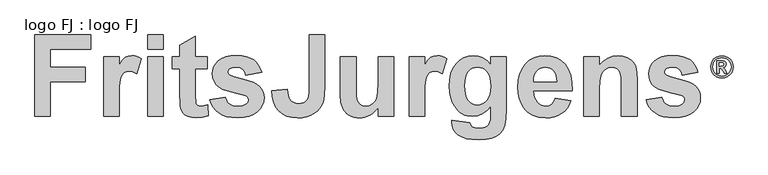
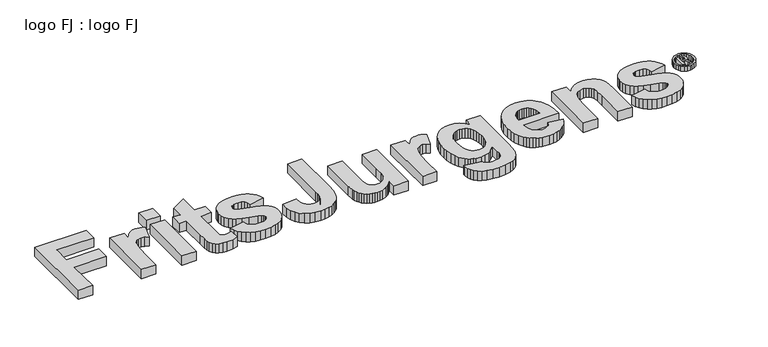
"""IFC4 building model written with IfcOpenShell, lengths in millimetres: proxy geometry, logo FJ : logo FJ."""

from ifc_helpers import new_model, si_unit, origin, origin_with_axes, place, context, project, spatial, polyline, outline, extrude, source, transform, mapped, element, save


def logo_fj_logo_fj_f1afa8ba(model_context):
    return source(origin(), model_context, "Body", "SweptSolid", [
        extrude(outline(polyline([(6469.8619245, 39.4107838), (6469.8619245, 159.2507768), (6491.7752341, 159.2507768), (6526.2393537, 158.9471281), (6543.1677648, 154.1646622), (6553.2640818, 142.6513183), (6557.3127302, 125.4951706), (6555.4339043, 113.4757457), (6549.7974266, 103.3288206), (6540.7575538, 95.8641251), (6528.6685427, 91.8913888), (6536.487495, 87.3872674), (6544.0534067, 78.1765923), (6552.3025278, 63.601458), (6563.7905677, 39.4107838), (6541.1181366, 39.4107838), (6529.9337453, 58.5912556), (6512.8029017, 82.9843623), (6498.1012472, 87.9945647), (6492.5343556, 87.9945647), (6492.5343556, 39.4107838), (6469.8619245, 39.4107838)]), holes=[polyline([(6492.5343556, 107.4280771), (6501.390774, 107.4280771), (6524.8223267, 109.0222324), (6532.0086777, 114.6397321), (6534.6402991, 123.7744951), (6532.0592858, 132.6056094), (6524.7211105, 138.1471969), (6501.390774, 139.8172644), (6492.5343556, 139.8172644), (6492.5343556, 107.4280771)])]), origin_with_axes(), (0.0, 0.0, 1.0), 50.0),
        extrude(outline(polyline([(6516.8262461, 204.595639), (6543.3512192, 201.211222), (6568.7754661, 191.0579709), (6590.9860982, 174.5850326), (6607.8702273, 152.2415542), (6618.5358854, 126.3744865), (6622.0911048, 99.3307803), (6618.6054716, 72.4831805), (6608.1485719, 46.9007833), (6591.4542232, 24.7028032), (6569.256243, 8.0084545), (6543.6738459, -2.4484452), (6516.8262461, -5.9340785), (6489.9786463, -2.4484452), (6464.3962492, 8.0084545), (6442.198269, 24.7028032), (6425.5039204, 46.9007833), (6415.0470206, 72.4831805), (6411.5613874, 99.3307803), (6415.1166068, 126.3744865), (6425.7822649, 152.2415542), (6442.666394, 174.5850326), (6464.8770262, 191.0579709), (6490.301273, 201.211222), (6516.8262461, 204.595639)]), holes=[polyline([(6516.775638, 185.1621266), (6495.1723031, 182.4103109), (6474.4925661, 174.1548637), (6456.4191466, 160.7500419), (6442.6347639, 142.5501021), (6433.9048658, 121.4591742), (6430.9948998, 99.3813884), (6433.8352797, 77.4870569), (6442.3564194, 56.6428436), (6455.9699997, 38.550446), (6474.0877013, 24.9115616), (6494.9445666, 16.3524658), (6516.775638, 13.4994339), (6538.6636435, 16.3524658), (6559.4888788, 24.9115616), (6577.5686243, 38.550446), (6591.2201607, 56.6428436), (6599.7982345, 77.4870569), (6602.6575925, 99.3813884), (6599.7476264, 121.4591742), (6591.0177283, 142.5501021), (6577.2143676, 160.7500419), (6559.0840139, 174.1548637), (6538.3599949, 182.4103109), (6516.775638, 185.1621266)])]), origin_with_axes(), (0.0, 0.0, 1.0), 50.0),
        extrude(outline(polyline([(72.8756714, -365.4193539), (72.8756714, 399.7751961), (595.1513166, 399.7751961), (595.1513166, 266.1697985), (218.6270143, 266.1697985), (218.6270143, 96.1265651), (546.5675357, 96.1265651), (546.5675357, -37.4788325), (218.6270143, -37.4788325), (218.6270143, -365.4193539), (72.8756714, -365.4193539)])), origin_with_axes(), (0.0, 0.0, 1.0), 100.0),
        extrude(outline(polyline([(862.3621119, -365.4193539), (716.610769, -365.4193539), (716.610769, 193.294127), (862.3621119, 193.294127), (862.3621119, 115.4841654), (893.1539808, 161.2449629), (920.6246929, 188.0751662), (948.2377403, 201.0988457), (979.4566152, 205.4400723), (1002.4081816, 203.5185458), (1024.9564647, 197.7539663), (1047.1014645, 188.1463338), (1068.8431809, 174.6956484), (1026.3323726, 35.9661801), (991.2229996, 53.7580921), (958.7705522, 59.6887294), (930.7542215, 55.5372833), (907.4349555, 43.0829449), (888.6941416, 19.8111241), (874.4131669, -16.7927695), (865.3748756, -83.7852487), (862.3621119, -198.2228265), (862.3621119, -365.4193539)])), origin_with_axes(), (0.0, 0.0, 1.0), 100.0),
        extrude(outline(polyline([(1129.5729071, 266.1697985), (1129.5729071, 399.7751961), (1275.3242499, 399.7751961), (1275.3242499, 266.1697985), (1129.5729071, 266.1697985)])), origin_with_axes(), (0.0, 0.0, 1.0), 100.0),
        extrude(outline(polyline([(1129.5729071, -365.4193539), (1129.5729071, 193.294127), (1275.3242499, 193.294127), (1275.3242499, -365.4193539), (1129.5729071, -365.4193539)])), origin_with_axes(), (0.0, 0.0, 1.0), 100.0),
        extrude(outline(polyline([(1688.286388, 193.294127), (1688.286388, 83.9806199), (1578.9728809, 83.9806199), (1578.9728809, -155.7120182), (1582.2940378, -240.4489642), (1587.7265016, -251.4562271), (1597.3815791, -260.3759056), (1610.4289812, -266.2828204), (1626.0384187, -268.251792), (1654.8850386, -264.7408547), (1694.3593606, -254.2080428), (1700.4323333, -357.8281381), (1644.2098914, -372.6310089), (1581.0604652, -377.5652991), (1542.2503746, -374.149252), (1507.4256722, -363.9011107), (1478.9823356, -348.2442282), (1459.3163423, -328.6019574), (1446.3401078, -303.1239395), (1437.9660479, -269.9598155), (1434.4076655, -230.3431582), (1433.221538, -163.8725751), (1433.221538, 83.9806199), (1360.3458666, 83.9806199), (1360.3458666, 193.294127), (1433.221538, 193.294127), (1433.221538, 302.6076342), (1578.9728809, 387.6292508), (1578.9728809, 193.294127), (1688.286388, 193.294127)])), origin_with_axes(), (0.0, 0.0, 1.0), 100.0),
        extrude(outline(polyline([(1712.5782785, -207.5220658), (1858.3296214, -183.2301753), (1872.2073127, -219.9526816), (1882.7223327, -234.5420495), (1895.6214688, -246.616827), (1911.1063629, -256.0821242), (1929.3786565, -262.8430508), (1974.2854423, -268.251792), (2023.0115585, -263.0802763), (2042.2149622, -256.6158816), (2057.9785962, -247.565729), (2072.2121258, -230.6752739), (2076.9566356, -208.8505286), (2074.4420454, -193.7629872), (2066.8982747, -181.5221518), (2049.6757039, -171.511236), (2019.2633957, -162.354332), (1940.9908444, -143.3051249), (1878.4937882, -125.0624845), (1831.7722274, -107.6264107), (1800.8261619, -90.9969037), (1772.845415, -66.218701), (1752.8591672, -37.0518266), (1740.8674185, -3.4962806), (1736.870169, 34.447937), (1740.2980773, 69.1658879), (1750.5818025, 101.0134103), (1767.7213443, 129.9905042), (1791.7167029, 156.0971697), (1822.9237165, 177.6846896), (1861.6982233, 193.1043466), (1908.0402234, 202.3561409), (1961.9497167, 205.4400723), (2013.2734521, 202.9492046), (2057.5515903, 195.4766016), (2094.7841314, 183.0222632), (2124.9710754, 165.5861895), (2149.5594977, 143.2632706), (2169.996474, 116.1483967), (2186.282004, 84.2415679), (2198.416088, 47.5427842), (2052.6647452, 23.2508937), (2041.9421529, 54.4223235), (2024.5772468, 77.3383061), (1999.5262347, 91.4295004), (1965.7453245, 96.1265651), (1924.2308633, 92.1411768), (1908.6332871, 87.1594415), (1896.4754806, 80.185012), (1886.085004, 67.0901648), (1882.6215118, 50.5792705), (1886.085004, 36.2982958), (1896.4754806, 24.1997957), (1938.0136644, 6.7874445), (2025.4312586, -16.6029891), (2076.4406702, -30.5637094), (2119.1116057, -46.0663953), (2153.4440652, -63.111047), (2179.4380486, -81.6976644), (2198.3686429, -103.2733229), (2211.890496, -128.7157571), (2220.0036079, -158.0249667), (2222.7079785, -191.2009519), (2218.7878272, -228.0954467), (2207.0273734, -262.2974321), (2187.426617, -293.8069082), (2159.9855581, -322.623875), (2124.8583933, -346.660748), (2082.199319, -363.8299431), (2032.0083354, -374.1314601), (1974.2854423, -377.5652991), (1921.4019493, -374.7067319), (1874.3423421, -366.1310304), (1833.1066208, -351.8381944), (1797.6947854, -331.8282241), (1768.0000843, -306.9076861), (1743.9157661, -277.883147), (1725.4418309, -244.7546069), (1712.5782785, -207.5220658)])), origin_with_axes(), (0.0, 0.0, 1.0), 100.0),
        extrude(outline(polyline([(2647.8160618, 399.7751961), (2793.5674046, 399.7751961), (2793.5674046, -83.9750291), (2789.2973458, -167.9528536), (2783.9597722, -201.7574863), (2776.4871692, -230.1059327), (2762.7755357, -261.775536), (2744.4142825, -290.1714275), (2721.4034097, -315.2936072), (2693.7429172, -337.1420751), (2661.3616374, -354.8272356), (2624.1884027, -367.4594931), (2582.223213, -375.0388476), (2535.4660683, -377.5652991), (2481.1888756, -373.5146738), (2433.5539966, -361.362798), (2392.5614314, -341.1096715), (2358.21118, -312.7552945), (2331.0251385, -276.5606149), (2311.525203, -232.7865808), (2299.7113735, -181.4331922), (2295.5836499, -122.5004491), (2441.3349928, -110.3545039), (2448.0247517, -166.24483), (2454.2519208, -187.0020607), (2462.4006165, -202.9673363), (2477.7491059, -220.9015836), (2496.6559777, -233.7117602), (2519.1212319, -241.3978662), (2545.1448685, -243.9599015), (2571.1744357, -242.121404), (2593.0881406, -236.6059112), (2610.8859832, -227.4134234), (2624.5679635, -214.5439404), (2634.7390065, -195.8980167), (2642.0040372, -169.3762065), (2646.3630556, -134.9785101), (2647.8160618, -92.7049272), (2647.8160618, 399.7751961)])), origin_with_axes(), (0.0, 0.0, 1.0), 100.0),
        extrude(outline(polyline([(3291.5511594, -365.4193539), (3291.5511594, -283.4342235), (3275.9002075, -304.1855235), (3257.9837521, -322.6001524), (3237.8017933, -338.6781102), (3215.3543311, -352.4193969), (3166.8417178, -371.2788236), (3141.5712721, -375.9936802), (3115.6247338, -377.5652991), (3089.6366811, -376.0233334), (3065.0008136, -371.3974363), (3041.7171315, -363.6876078), (3019.7856347, -352.8938479), (3000.0010286, -339.3067578), (2983.1580186, -323.2169387), (2969.2566047, -304.6243907), (2958.2967869, -283.5291137), (2949.9938947, -259.0415122), (2944.0632574, -230.2719906), (2939.3187475, -159.8871868), (2939.3187475, 193.294127), (3085.0700903, 193.294127), (3085.0700903, -64.9969897), (3087.0390619, -160.6225859), (3092.9459767, -210.2738815), (3104.0955749, -234.1862112), (3121.7925967, -252.5949095), (3145.5863136, -264.3375714), (3175.0259973, -268.251792), (3209.9218673, -263.0328312), (3240.9746843, -247.3759486), (3265.5038003, -223.9617925), (3280.8285671, -195.4710108), (3288.8705113, -142.0241072), (3291.5511594, -43.7415855), (3291.5511594, 193.294127), (3437.3025022, 193.294127), (3437.3025022, -365.4193539), (3291.5511594, -365.4193539)])), origin_with_axes(), (0.0, 0.0, 1.0), 100.0),
        extrude(outline(polyline([(3728.8051879, -365.4193539), (3583.0538451, -365.4193539), (3583.0538451, 193.294127), (3728.8051879, 193.294127), (3728.8051879, 115.4841654), (3759.5970569, 161.2449629), (3787.067769, 188.0751662), (3814.6808164, 201.0988457), (3845.8996912, 205.4400723), (3868.8512577, 203.5185458), (3891.3995408, 197.7539663), (3913.5445406, 188.1463338), (3935.286257, 174.6956484), (3892.7754486, 35.9661801), (3857.6660757, 53.7580921), (3825.2136283, 59.6887294), (3797.1972975, 55.5372833), (3773.8780316, 43.0829449), (3755.1372177, 19.8111241), (3740.856243, -16.7927695), (3731.8179517, -83.7852487), (3728.8051879, -198.2228265), (3728.8051879, -365.4193539)])), origin_with_axes(), (0.0, 0.0, 1.0), 100.0),
        extrude(outline(polyline([(3983.8700379, -401.8571896), (4153.9132713, -426.1490801), (4160.4132498, -447.5942646), (4171.9424087, -461.0686726), (4197.2306463, -471.3168139), (4233.6210369, -474.732861), (4280.7814649, -470.4153571), (4299.3087759, -465.0184771), (4314.4674849, -457.4628452), (4330.3141478, -442.3278587), (4341.7958616, -420.0761075), (4346.6352617, -393.886413), (4348.2483951, -352.1347263), (4348.2483951, -270.7189371), (4310.6600157, -312.1503695), (4270.0114275, -341.7442497), (4226.3026304, -359.5005779), (4179.5336245, -365.4193539), (4128.4471146, -359.4768553), (4105.0122012, -352.0487321), (4082.9828489, -341.6493595), (4062.3590576, -328.2787377), (4043.1408273, -311.9368665), (4008.92105, -270.3393763), (3987.3335301, -230.461771), (3971.9138731, -185.9819911), (3962.6620789, -136.9000366), (3959.5781475, -83.2159075), (3963.6169115, -17.1426771), (3975.7332035, 40.6395223), (3995.9270236, 90.1306908), (4024.1983717, 131.3308283), (4058.4833861, 163.7536225), (4096.7182049, 186.9127613), (4138.9028282, 200.8082445), (4185.0372559, 205.4400723), (4232.3874643, 199.9483021), (4275.3727236, 183.4729916), (4313.9930339, 156.0141408), (4348.2483951, 117.5717497), (4348.2483951, 193.294127), (4493.9997379, 193.294127), (4493.9997379, -302.9816042), (4490.0380722, -388.4065042), (4478.153075, -449.207398), (4459.1275904, -492.4536054), (4433.7444627, -525.2144459), (4400.3905584, -549.7672844), (4357.4527442, -568.3894856), (4303.3890543, -580.1321475), (4236.6575232, -584.0463682), (4172.689669, -581.1284946), (4118.7564532, -572.3748739), (4074.8578757, -557.7855061), (4040.9939366, -537.3603912), (4015.7531442, -512.4517144), (3997.7240067, -484.4116611), (3986.9065242, -453.2402314), (3983.3006967, -418.9374251), (3983.8700379, -401.8571896)]), holes=[polyline([(4105.3294903, -77.7122761), (4107.4348666, -120.9110383), (4113.7509953, -157.8944927), (4124.2778766, -188.6626391), (4139.0155103, -213.2154776), (4156.8489367, -231.9800141), (4176.663196, -245.3832545), (4198.4582882, -253.4251987), (4222.2342132, -256.1058468), (4247.682578, -253.354031), (4271.0789422, -245.0985839), (4292.4233059, -231.3395053), (4311.7156691, -212.0767953), (4327.6987367, -187.4172053), (4339.1152136, -157.4674868), (4345.9650997, -122.2276398), (4348.2483951, -81.6976644), (4346.0599899, -39.4418734), (4339.4947744, -3.0099684), (4328.5527485, 27.5980509), (4313.2339123, 52.3821842), (4294.5701966, 71.5203509), (4273.5935324, 85.1904699), (4250.3039197, 93.3925413), (4224.7013583, 96.1265651), (4199.8460573, 93.4459171), (4177.2799823, 85.4039728), (4157.0031333, 72.0007325), (4139.0155103, 53.236196), (4124.2778766, 28.9680281), (4113.7509953, -0.9461066), (4107.4348666, -36.506208), (4105.3294903, -77.7122761)])]), origin_with_axes(), (0.0, 0.0, 1.0), 100.0),
        extrude(outline(polyline([(4955.5456569, -195.3761206), (5101.2969998, -219.668011), (5085.5452271, -255.9813034), (5065.808066, -287.6805599), (5042.0855168, -314.7657805), (5014.3775792, -337.2369653), (4982.8147273, -354.8806114), (4947.5274353, -367.4832157), (4908.515703, -375.0447783), (4865.7795304, -377.5652991), (4799.771537, -371.6228005), (4770.2102753, -364.1946773), (4742.9441702, -353.7953047), (4717.9732217, -340.4246829), (4695.2974299, -324.0828118), (4674.9167948, -304.7696913), (4656.8313162, -282.4853216), (4633.4171601, -241.9316236), (4616.6927628, -196.3724676), (4606.6581245, -145.8078538), (4603.313245, -90.2377821), (4607.7493618, -24.716101), (4621.0577119, 33.3092546), (4643.2382955, 83.8382846), (4674.2911125, 126.870989), (4712.1285786, 161.2449629), (4754.6631095, 185.7978015), (4801.8947052, 200.5295046), (4853.8233656, 205.4400723), (4911.5284667, 200.3990305), (4962.804757, 185.2759054), (5007.6522365, 160.0706967), (5046.070905, 124.7834047), (5062.5254583, 103.2759484), (5076.6848549, 79.0819135), (5098.1181782, 22.6341074), (5110.3708749, -44.5600134), (5113.442945, -122.5004491), (4749.0645879, -122.5004491), (4751.7808198, -155.1189544), (4758.4112723, -183.8944067), (4768.9559455, -208.826806), (4783.4148393, -229.9161523), (4800.8390517, -246.6879947), (4820.2796809, -258.6678821), (4841.7367267, -265.8558145), (4865.2101892, -268.251792), (4895.8122778, -263.934288), (4921.1954056, -250.9817761), (4941.1697921, -228.4453543), (4955.5456569, -195.3761206)]), holes=[polyline([(4967.6916022, -37.4788325), (4965.093983, -6.7047554), (4958.8193687, 20.1432397), (4948.8677593, 43.065153), (4935.2391547, 62.0609843), (4918.9417634, 76.9646759), (4900.9837936, 87.6101699), (4881.3652453, 93.9974663), (4860.0861186, 96.1265651), (4837.4785291, 93.8847842), (4816.9110789, 87.1594415), (4798.3837679, 75.950537), (4781.8965961, 60.2580706), (4768.4696332, 40.6276611), (4758.9331684, 17.7947074), (4753.2872017, -8.2407905), (4751.531733, -37.4788325), (4967.6916022, -37.4788325)])]), origin_with_axes(), (0.0, 0.0, 1.0), 100.0),
        extrude(outline(polyline([(5720.7402069, -365.4193539), (5574.9888641, -365.4193539), (5574.9888641, -78.2816173), (5572.7114993, -3.1285811), (5565.8794051, 39.761788), (5553.8757952, 63.5317824), (5536.0838832, 81.3236944), (5513.357681, 92.4258474), (5486.5512003, 96.1265651), (5451.2757695, 90.8364366), (5419.8433917, 74.9660512), (5394.98216, 50.342045), (5379.4201677, 18.7910544), (5371.2358882, -31.0500216), (5368.507795, -110.5442843), (5368.507795, -365.4193539), (5222.7564522, -365.4193539), (5222.7564522, 193.294127), (5368.507795, 193.294127), (5368.507795, 112.8272398), (5405.3844979, 153.345354), (5446.7447626, 182.2868642), (5492.5885891, 199.6517702), (5542.9159774, 205.4400723), (5587.2296995, 201.0276781), (5627.5580333, 187.7904956), (5661.2440533, 167.7212189), (5685.6308339, 142.8125421), (5702.3552312, 113.6575291), (5713.0541009, 80.8492434), (5718.8186804, 38.6942733), (5720.7402069, -18.5007931), (5720.7402069, -365.4193539)])), origin_with_axes(), (0.0, 0.0, 1.0), 100.0),
        extrude(outline(polyline([(5805.7618236, -207.5220658), (5951.5131664, -183.2301753), (5965.3908578, -219.9526816), (5975.9058777, -234.5420495), (5988.8050139, -246.616827), (6004.289908, -256.0821242), (6022.5622015, -262.8430508), (6067.4689874, -268.251792), (6116.1951036, -263.0802763), (6135.3985073, -256.6158816), (6151.1621413, -247.565729), (6165.3956708, -230.6752739), (6170.1401807, -208.8505286), (6167.6255905, -193.7629872), (6160.0818198, -181.5221518), (6142.859249, -171.511236), (6112.4469408, -162.354332), (6034.1743894, -143.3051249), (5971.6773333, -125.0624845), (5924.9557725, -107.6264107), (5894.0097069, -90.9969037), (5866.02896, -66.218701), (5846.0427123, -37.0518266), (5834.0509636, -3.4962806), (5830.053714, 34.447937), (5833.4816224, 69.1658879), (5843.7653475, 101.0134103), (5860.9048894, 129.9905042), (5884.900248, 156.0971697), (5916.1072616, 177.6846896), (5954.8817684, 193.1043466), (6001.2237685, 202.3561409), (6055.1332617, 205.4400723), (6106.4569971, 202.9492046), (6150.7351354, 195.4766016), (6187.9676765, 183.0222632), (6218.1546205, 165.5861895), (6242.7430428, 143.2632706), (6263.180019, 116.1483967), (6279.4655491, 84.2415679), (6291.5996331, 47.5427842), (6145.8482902, 23.2508937), (6135.1256979, 54.4223235), (6117.7607919, 77.3383061), (6092.7097798, 91.4295004), (6058.9288696, 96.1265651), (6017.4144083, 92.1411768), (6001.8168322, 87.1594415), (5989.6590257, 80.185012), (5979.2685491, 67.0901648), (5975.8050569, 50.5792705), (5979.2685491, 36.2982958), (5989.6590257, 24.1997957), (6031.1972095, 6.7874445), (6118.6148036, -16.6029891), (6169.6242152, -30.5637094), (6212.2951508, -46.0663953), (6246.6276102, -63.111047), (6272.6215936, -81.6976644), (6291.552188, -103.2733229), (6305.0740411, -128.7157571), (6313.1871529, -158.0249667), (6315.8915235, -191.2009519), (6311.9713723, -228.0954467), (6300.2109185, -262.2974321), (6280.6101621, -293.8069082), (6253.1691032, -322.623875), (6218.0419384, -346.660748), (6175.3828641, -363.8299431), (6125.1918804, -374.1314601), (6067.4689874, -377.5652991), (6014.5854943, -374.7067319), (5967.5258872, -366.1310304), (5926.2901659, -351.8381944), (5890.8783304, -331.8282241), (5861.1836293, -306.9076861), (5837.0993112, -277.883147), (5818.6253759, -244.7546069), (5805.7618236, -207.5220658)])), origin_with_axes(), (0.0, 0.0, 1.0), 100.0),
    ])


if __name__ == "__main__":
    model = new_model("IFC4")
    model_context = context("Model", 3, world=origin())
    ifc_project = project(units=[si_unit("LENGTHUNIT", "METRE", prefix="MILLI")], contexts=[model_context])
    site = spatial("IfcSite", under=ifc_project)
    building = spatial("IfcBuilding", under=site)
    placement = place(None, origin())
    logo_fj_logo_fj_shape = logo_fj_logo_fj_f1afa8ba(model_context)
    element("IfcBuildingElementProxy", 1, Name="logo FJ : logo FJ", ObjectType="logo FJ : logo FJ", at=placement, inside=building, context=model_context, shape_type="MappedRepresentation", body=[
        mapped(logo_fj_logo_fj_shape, transform((0.0, 0.0, 0.0), x_axis=(1.0, 0.0, 0.0), y_axis=(0.0, 1.0, 0.0), z_axis=(0.0, 0.0, 1.0))),
    ])
    save(model, "model.ifc")
